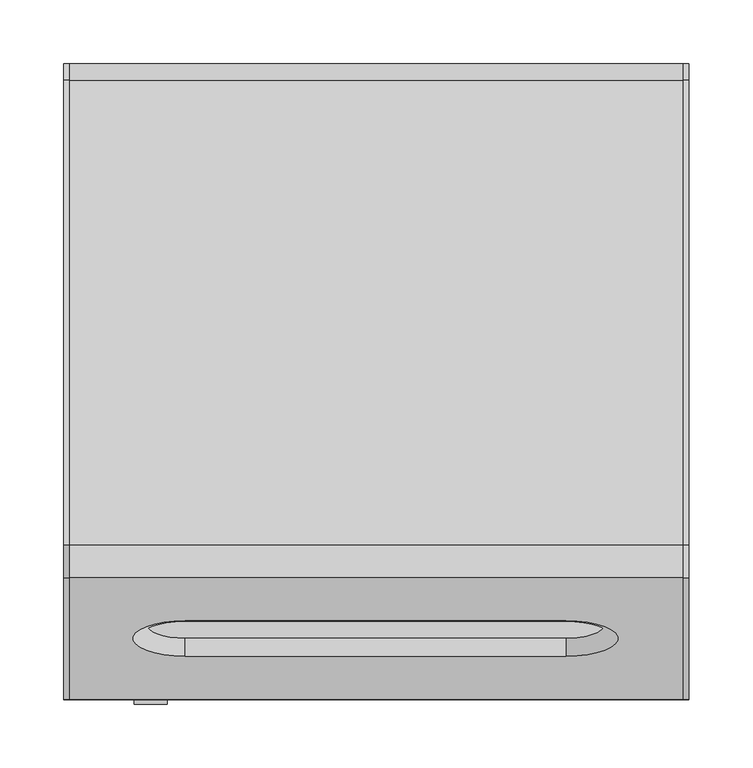
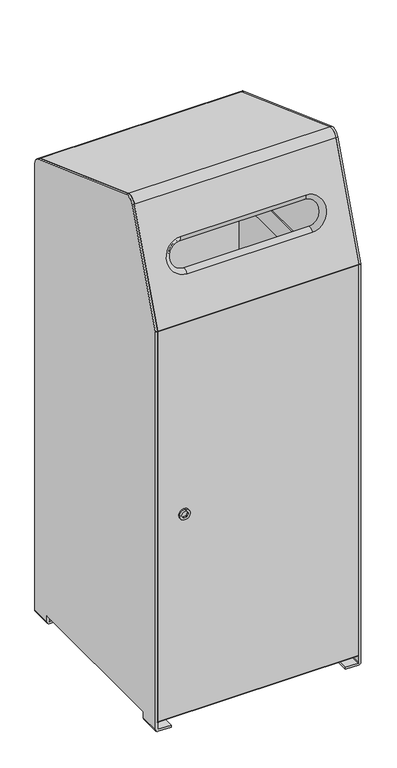
"""IFC4 building model written with IfcOpenShell, lengths in millimetres: furniture geometry."""

from ifc_helpers import new_model, si_unit, point, frame, frame_2d, origin, place, context, project, spatial, polyline, circle_curve, ellipse_curve, trimmed, segment, composite_curve, outline, extrude, source, transform, mapped, element, save
from ifc_brep_helpers import plane_surface, cylinder_surface, revolved_surface, advanced_brep


def furniture_d7850480(model_context):
    return source(origin(), model_context, "Body", "SolidModel", [
        extrude(outline(composite_curve([segment(trimmed(circle_curve(frame_2d((529.2365801, -177.4993721)), 13.0), [point((529.2365801, -190.4993721))], [point((529.2365801, -164.4993721))], False, "CARTESIAN"), True, "CONTINUOUS"), segment(trimmed(circle_curve(frame_2d((529.2365801, -177.4993721)), 13.0), [point((529.2365801, -164.4993721))], [point((529.2365801, -190.4993721))], False, "CARTESIAN"), True, "CONTINUOUS")], self_intersect=False), holes=[polyline([(528.6374322, -185.5445431), (529.8545881, -184.9631828), (534.7139056, -182.6421867), (535.9310615, -182.0608264), (536.0361663, -180.7160594), (536.4557816, -175.3472728), (536.5608863, -174.0025057), (535.4488351, -173.2390989), (531.0091329, -170.1913084), (529.8970817, -169.4279016), (528.6799258, -170.0092619), (523.8206083, -172.330258), (522.6034524, -172.9116182), (522.4983476, -174.2563853), (522.0787323, -179.6251719), (521.9736276, -180.969939), (523.0856788, -181.7333458), (527.525381, -184.7811362), (528.6374322, -185.5445431)])]), frame((0.0, -252.5491325, 0.0), z_axis=(0.0, 1.0, 0.0), x_axis=(0.0, 0.0, 1.0)), (0.0, 0.0, 1.0), 16.337933),
        advanced_brep(
        [(241.0, -150.2343599, 1275.4073507), (241.0, -128.4452429, 1285.5677828), (241.0, 236.8143424, 1152.6241659), (241.0, 248.0, 1136.6493914), (241.0, 248.0, 1012.2934168), (241.0, 251.0, 1012.2934168), (241.0, 251.0, 1136.6493914), (241.0, 237.8404029, 1155.4432438), (241.0, -127.4191825, 1288.3868606), (241.0, -153.0534378, 1276.4334111), (241.0, -248.8190779, 1013.3194773), (241.0, -249.0, 1012.2934168), (241.0, -246.0, 1012.2934168), (-241.0, -150.2343599, 1275.4073507), (-241.0, -246.0, 1012.2934168), (-241.0, -249.0, 1012.2934168), (-241.0, -248.8190779, 1013.3194773), (-241.0, -153.0534378, 1276.4334111), (-241.0, -127.4191825, 1288.3868606), (-241.0, 237.8404029, 1155.4432438), (-241.0, 251.0, 1136.6493914), (-241.0, 251.0, 1012.2934168), (-241.0, 248.0, 1012.2934168), (-241.0, 248.0, 1136.6493914), (-241.0, 236.8143424, 1152.6241659), (-241.0, -128.4452429, 1285.5677828), (149.2381104, -184.0987109, 1182.3658109), (-150.4139833, -184.0987109, 1182.3658109), (-150.4139833, -212.078139, 1105.4929639), (149.2381104, -212.078139, 1105.4929639), (-150.4139833, -186.9187224, 1183.3893061), (149.2381104, -186.9187224, 1183.3893061), (149.2381104, -214.8962833, 1106.5215895), (-150.4139833, -214.8962833, 1106.5215895), (-150.4139833, -179.3012461, 1172.0776143), (149.2381104, -179.3012461, 1172.0776143), (149.2381104, -180.3096237, 1169.2779386), (-150.4139833, -180.3096356, 1169.2779056), (149.2381104, -201.7899425, 1110.2904287), (-150.4139833, -201.7899425, 1110.2904287), (-150.4139833, -200.7628078, 1113.0832774), (149.2381104, -200.7627956, 1113.0833103)],
        [
            (0, 1, circle_curve(frame((241.0, -134.2595853, 1269.5930082), z_axis=(-1.0, 0.0, 0.0), x_axis=(0.0, 0.3420201433256436, 0.9396926207859176)), 17.0)),
            (1, 2),
            (2, 3, circle_curve(frame((241.0, 231.0, 1136.6493914), z_axis=(-1.0, 0.0, 0.0), x_axis=(0.0, 1.0, 4.9744208752146794e-12)), 17.0)),
            (3, 4),
            (4, 5),
            (5, 6),
            (6, 7, circle_curve(frame((241.0, 231.0, 1136.6493914), z_axis=(1.0, 0.0, 0.0), x_axis=(0.0, 1.0, 4.9744208752146794e-12)), 20.0)),
            (7, 8),
            (8, 9, circle_curve(frame((241.0, -134.2595853, 1269.5930082), z_axis=(1.0, 0.0, 0.0), x_axis=(0.0, 0.3420201433256436, 0.9396926207859176)), 20.0)),
            (9, 10),
            (10, 11, circle_curve(frame((241.0, -246.0, 1012.2934168), z_axis=(1.0, 0.0, 0.0), x_axis=(0.0, -0.9396926208113076, 0.3420201432558851)), 3.0)),
            (11, 12),
            (12, 0),
            (13, 14),
            (14, 15),
            (15, 16, circle_curve(frame((-241.0, -246.0, 1012.2934168), z_axis=(-1.0, 0.0, 0.0), x_axis=(0.0, -0.9396926208113076, 0.3420201432558851)), 3.0)),
            (16, 17),
            (17, 18, circle_curve(frame((-241.0, -134.2595853, 1269.5930082), z_axis=(-1.0, 0.0, 0.0), x_axis=(0.0, 0.3420201433256436, 0.9396926207859176)), 20.0)),
            (18, 19),
            (19, 20, circle_curve(frame((-241.0, 231.0, 1136.6493914), z_axis=(-1.0, 0.0, 0.0), x_axis=(0.0, 1.0, 4.9744208752146794e-12)), 20.0)),
            (20, 21),
            (21, 22),
            (22, 23),
            (23, 24, circle_curve(frame((-241.0, 231.0, 1136.6493914), z_axis=(1.0, 0.0, 0.0), x_axis=(0.0, 1.0, 4.9744208752146794e-12)), 17.0)),
            (24, 25),
            (25, 13, circle_curve(frame((-241.0, -134.2595853, 1269.5930082), z_axis=(1.0, 0.0, 0.0), x_axis=(0.0, 0.3420201433256436, 0.9396926207859176)), 17.0)),
            (12, 14),
            (13, 0),
            (26, 27),
            (27, 28, circle_curve(frame((-150.4139833, -198.088425, 1143.9293874), z_axis=(0.0, -0.9396926208115011, 0.34202014325535357), x_axis=(0.0, -0.34202014325535357, -0.9396926208115011)), 40.9031875)),
            (28, 29),
            (29, 26, circle_curve(frame((149.2381104, -198.088425, 1143.9293874), z_axis=(0.0, -0.9396926208115011, 0.34202014325535357), x_axis=(0.0, 0.34202014325535357, 0.9396926208115011)), 40.9031875)),
            (9, 17),
            (16, 10),
            (30, 31),
            (31, 32, circle_curve(frame((149.2381104, -200.9075028, 1144.9554478), z_axis=(0.0, 0.9396926208115011, -0.34202014325535357), x_axis=(0.0, 0.34202014325535357, 0.9396926208115011)), 40.9004577)),
            (32, 33),
            (33, 30, circle_curve(frame((-150.4139833, -200.9075028, 1144.9554478), z_axis=(0.0, 0.9396926208115011, -0.34202014325535357), x_axis=(0.0, -0.34202014325535357, -0.9396926208115011)), 40.9004577)),
            (15, 11),
            (25, 1),
            (24, 2),
            (23, 3),
            (22, 4),
            (21, 5),
            (20, 6),
            (19, 7),
            (18, 8),
            (34, 27, circle_curve(frame((-150.4139833, -176.5558802, 1179.620445), z_axis=(-1.0, 0.0, 0.0), x_axis=(0.0, -1.0, 0.0)), 8.0269128)),
            (26, 35, circle_curve(frame((149.2381104, -176.5558802, 1179.620445), z_axis=(1.0, 0.0, 0.0), x_axis=(0.0, -1.0, 0.0)), 8.0269128)),
            (35, 34),
            (35, 36),
            (36, 37),
            (37, 34),
            (36, 31, circle_curve(frame((149.2381104, -176.5821036, 1179.6270845), z_axis=(-1.0, 0.0, 0.0), x_axis=(0.0, -1.0, 0.0)), 11.0)),
            (30, 37, circle_curve(frame((-150.4139833, -176.5821036, 1179.6270845), z_axis=(1.0, 0.0, 0.0), x_axis=(0.0, -1.0, 0.0)), 11.0)),
            (38, 29, circle_curve(frame((149.2381104, -204.5353084, 1102.747598), z_axis=(1.0, 0.0, 0.0), x_axis=(0.0, -0.766044443215175, 0.6427876095718965)), 8.0269128)),
            (28, 39, circle_curve(frame((-150.4139833, -204.5353084, 1102.747598), z_axis=(-1.0, 0.0, 0.0), x_axis=(0.0, -0.766044443215175, 0.6427876095718965)), 8.0269128)),
            (39, 38),
            (39, 40),
            (40, 41),
            (41, 38),
            (40, 33, circle_curve(frame((-150.4139833, -204.5596644, 1102.7593679), z_axis=(1.0, 0.0, 0.0), x_axis=(0.0, -0.766044443215175, 0.6427876095718965)), 11.0)),
            (32, 41, circle_curve(frame((149.2381104, -204.5596644, 1102.7593679), z_axis=(-1.0, 0.0, 0.0), x_axis=(0.0, -0.766044443215175, 0.6427876095718965)), 11.0)),
            (38, 35, circle_curve(frame((149.2381104, -190.5455943, 1141.1840215), z_axis=(0.0, -0.9396926208115011, 0.34202014325535357), x_axis=(0.0, 0.34202014325535357, 0.9396926208115011)), 32.8762748)),
            (41, 36, circle_curve(frame((149.2381104, -190.5455943, 1141.1840215), z_axis=(0.0, -0.9396926208115011, 0.34202014325535357), x_axis=(0.0, 0.34202014325535357, 0.9396926208115011)), 29.9005213)),
            (34, 39, circle_curve(frame((-150.4139833, -190.5455943, 1141.1840215), z_axis=(0.0, -0.9396926208115011, 0.34202014325535357), x_axis=(0.0, -0.34202014325535357, -0.9396926208115011)), 32.8762748)),
            (37, 40, circle_curve(frame((-150.4139833, -190.5455943, 1141.1840215), z_axis=(0.0, -0.9396926208115011, 0.34202014325535357), x_axis=(0.0, -0.34202014325535357, -0.9396926208115011)), 29.9005213)),
        ],
        [
            plane_surface(frame((241.0, -128.4452429, 1285.5677828), z_axis=(1.0000000000000002, 0.0, 0.0), x_axis=(0.0, 0.9396926207859176, -0.3420201433256436))),
            plane_surface(frame((-241.0, -128.4452429, 1285.5677828), z_axis=(-1.0000000000000002, 0.0, 0.0), x_axis=(0.0, -0.9396926207859176, 0.3420201433256436))),
            plane_surface(frame((241.0, -246.0, 1012.2934168), z_axis=(0.0, 0.9396926208114998, -0.34202014325535696), x_axis=(-1.0, 0.0, 0.0))),
            plane_surface(frame((241.0, -153.0534378, 1276.4334111), z_axis=(0.0, -0.9396926208114992, 0.34202014325535846), x_axis=(-1.0, 0.0, 0.0))),
            cylinder_surface(frame((-241.0, -246.0, 1012.2934168), z_axis=(1.0, 0.0, 0.0), x_axis=(0.0, -0.9396926208113076, 0.3420201432558851)), 3.0),
            plane_surface(frame((241.0, -249.0, 1012.2934168), z_axis=(0.0, 0.0, -1.0), x_axis=(-1.0, 0.0, 0.0))),
            revolved_surface(polyline([(-241.0, -128.44524286346405, 1285.5677827533607), (241.00000000000023, -128.44524286346405, 1285.5677827533607)]), (-241.0, -134.2595853, 1269.5930082), (-1.0000000000000002, 0.0, 0.0)),
            plane_surface(frame((241.0, -128.4452429, 1285.5677828), z_axis=(0.0, -0.3420201433256728, -0.939692620785907), x_axis=(-1.0, 0.0, 0.0))),
            revolved_surface(polyline([(-241.0, 248.0, 1136.6493914000846), (241.0, 248.0, 1136.6493914000846)]), (-241.0, 231.0, 1136.6493914), (-1.0, 0.0, 0.0)),
            plane_surface(frame((241.0, 248.0, 1136.6493914), z_axis=(0.0, -1.0, 0.0), x_axis=(-1.0, 0.0, 0.0))),
            plane_surface(frame((241.0, 248.0, 1012.2934168), z_axis=(0.0, 0.0, -1.0), x_axis=(-1.0, 0.0, 0.0))),
            plane_surface(frame((241.0, 251.0, 1012.2934168), z_axis=(0.0, 1.0, 0.0), x_axis=(-1.0, 0.0, 0.0))),
            cylinder_surface(frame((-241.0, 231.0, 1136.6493914), z_axis=(1.0, 0.0, 0.0), x_axis=(0.0, 1.0, 4.9744208752146794e-12)), 20.0),
            plane_surface(frame((241.0, 237.8404029, 1155.4432438), z_axis=(0.0, 0.3420201433256737, 0.9396926207859067), x_axis=(-1.0, 0.0, 0.0))),
            cylinder_surface(frame((-241.0, -134.2595853, 1269.5930082), z_axis=(1.0000000000000002, 0.0, 0.0), x_axis=(0.0, 0.3420201433256436, 0.9396926207859176)), 20.0),
            revolved_surface(polyline([(149.2381104, -184.58279299999998, 1179.620445), (-150.4139833, -184.58279299999998, 1179.620445)]), (-150.4139833, -176.5558802, 1179.620445), (1.0, 0.0, 0.0)),
            plane_surface(frame((-150.4139833, -179.3012461, 1172.0776143), z_axis=(0.0, 0.9408344496832874, -0.33886654938064614), x_axis=(1.0, 0.0, 0.0))),
            cylinder_surface(frame((-150.4139833, -176.5821036, 1179.6270845), z_axis=(-1.0, 0.0, 0.0), x_axis=(0.0, -1.0, 0.0)), 11.0),
            revolved_surface(polyline([(-150.41398330000013, -210.68428034661275, 1107.907198090954), (149.2381104, -210.68428034661275, 1107.907198090954)]), (149.2381104, -204.5353084, 1102.747598), (-1.0000000000000002, 0.0, 0.0)),
            plane_surface(frame((149.2381104, -201.7899425, 1110.2904287), z_axis=(0.0, 0.9385402214055518, -0.34516988977026636), x_axis=(-1.0, 0.0, 0.0))),
            cylinder_surface(frame((149.2381104, -204.5596644, 1102.7593679), z_axis=(1.0000000000000002, 0.0, 0.0), x_axis=(0.0, -0.766044443215175, 0.6427876095718965)), 11.0),
            revolved_surface(trimmed(ellipse_curve(frame((149.2381104, -176.5558802, 1179.620445), z_axis=(1.0, 0.0, 0.0), x_axis=(0.0, -1.0, 0.0)), 8.0269128, 8.0269128), [point((149.2381104, -184.0987109, 1182.3658109))], [point((149.2381104, -179.3012461, 1172.0776143))], True, "CARTESIAN"), (149.2381104, -200.9075028, 1144.9554478), (0.0, 0.9396926208115011, -0.34202014325535357)),
            plane_surface(frame((149.2381104, -190.5455943, 1141.1840215), z_axis=(0.0, 0.9396926208115011, -0.34202014325535357), x_axis=(0.0, 0.34202014325535357, 0.9396926208115011))),
            revolved_surface(trimmed(ellipse_curve(frame((149.2381104, -176.5821036, 1179.6270845), z_axis=(-1.0, 0.0, 0.0), x_axis=(0.0, -1.0, 0.0)), 11.0, 11.0), [point((149.2381104, -180.3096356, 1169.2779056))], [point((149.2381104, -186.9187224, 1183.3893061))], True, "CARTESIAN"), (149.2381104, -200.9075028, 1144.9554478), (0.0, 0.9396926208115011, -0.34202014325535357)),
            revolved_surface(trimmed(ellipse_curve(frame((-150.4139833, -204.5353084, 1102.747598), z_axis=(-1.0000000000000002, 0.0, 0.0), x_axis=(0.0, -0.766044443215175, 0.6427876095718965)), 8.0269128, 8.0269128), [point((-150.4139833, -212.078139, 1105.4929639))], [point((-150.4139833, -201.7899425, 1110.2904287))], True, "CARTESIAN"), (-150.4139833, -200.9075028, 1144.9554478), (0.0, 0.9396926208115011, -0.34202014325535357)),
            plane_surface(frame((-150.4139833, -190.5455943, 1141.1840215), z_axis=(0.0, 0.9396926208115011, -0.34202014325535357), x_axis=(0.0, -0.34202014325535357, -0.9396926208115011))),
            revolved_surface(trimmed(ellipse_curve(frame((-150.4139833, -204.5596644, 1102.7593679), z_axis=(1.0000000000000002, 0.0, 0.0), x_axis=(0.0, -0.766044443215175, 0.6427876095718965)), 11.0, 11.0), [point((-150.4139833, -200.7627956, 1113.0833103))], [point((-150.4139833, -214.8962833, 1106.5215895))], True, "CARTESIAN"), (-150.4139833, -200.9075028, 1144.9554478), (0.0, 0.9396926208115011, -0.34202014325535357)),
        ],
        [
            (0, [[1, 2, 3, 4, 5, 6, 7, 8, 9, 10, 11, 12, 13]]),
            (1, [[14, 15, 16, 17, 18, 19, 20, 21, 22, 23, 24, 25, 26]]),
            (2, [[-13, 27, -14, 28], [29, 30, 31, 32]]),
            (3, [[-10, 33, -17, 34], [35, 36, 37, 38]]),
            (4, [[-11, -34, -16, 39]]),
            (5, [[-12, -39, -15, -27]]),
            (6, [[-1, -28, -26, 40]]),
            (7, [[-2, -40, -25, 41]]),
            (8, [[-3, -41, -24, 42]]),
            (9, [[-4, -42, -23, 43]]),
            (10, [[-5, -43, -22, 44]]),
            (11, [[-6, -44, -21, 45]]),
            (12, [[-7, -45, -20, 46]]),
            (13, [[-8, -46, -19, 47]]),
            (14, [[-9, -47, -18, -33]]),
            (15, [[48, -29, 49, 50]]),
            (16, [[-50, 51, 52, 53]]),
            (17, [[-52, 54, -35, 55]]),
            (18, [[56, -31, 57, 58]]),
            (19, [[-58, 59, 60, 61]]),
            (20, [[-60, 62, -37, 63]]),
            (21, [[-49, -32, -56, 64]]),
            (22, [[-51, -64, -61, 65]]),
            (23, [[-54, -65, -63, -36]]),
            (24, [[-48, 66, -57, -30]]),
            (25, [[-53, 67, -59, -66]]),
            (26, [[-55, -38, -62, -67]]),
        ],
    ),
        extrude(outline(composite_curve([segment(trimmed(circle_curve(frame_2d((-147.9570796, 188.4694269)), 51.0), [point((-198.9570796, 188.4694269))], [point((-147.9570796, 239.4694269))], False, "CARTESIAN"), True, "CONTINUOUS"), segment(polyline([(-147.9570796, 239.4694269), (150.0429204, 239.4694269)]), True, "CONTINUOUS"), segment(trimmed(circle_curve(frame_2d((150.0429204, 188.4694269)), 51.0), [point((150.0429204, 239.4694269))], [point((201.0429204, 188.4694269))], False, "CARTESIAN"), True, "CONTINUOUS"), segment(polyline([(201.0429204, 188.4694269), (201.0429204, -187.5305731)]), True, "CONTINUOUS"), segment(trimmed(circle_curve(frame_2d((150.0429204, -187.5305731)), 51.0), [point((201.0429204, -187.5305731))], [point((150.0429204, -238.5305731))], False, "CARTESIAN"), True, "CONTINUOUS"), segment(polyline([(150.0429204, -238.5305731), (-147.9570796, -238.5305731)]), True, "CONTINUOUS"), segment(trimmed(circle_curve(frame_2d((-147.9570796, -187.5305731)), 51.0), [point((-147.9570796, -238.5305731))], [point((-198.9570796, -187.5305731))], False, "CARTESIAN"), True, "CONTINUOUS"), segment(polyline([(-198.9570796, -187.5305731), (-198.9570796, 188.4694269)]), True, "CONTINUOUS")], self_intersect=False), holes=[composite_curve([segment(polyline([(-195.9570796, 188.4694269), (-195.9570796, -187.5305731)]), True, "CONTINUOUS"), segment(trimmed(circle_curve(frame_2d((-147.9570796, -187.5305731)), 48.0), [point((-195.9570796, -187.5305731))], [point((-147.9570796, -235.5305731))], True, "CARTESIAN"), True, "CONTINUOUS"), segment(polyline([(-147.9570796, -235.5305731), (150.0429204, -235.5305731)]), True, "CONTINUOUS"), segment(trimmed(circle_curve(frame_2d((150.0429204, -187.5305731)), 48.0), [point((150.0429204, -235.5305731))], [point((198.0429204, -187.5305731))], True, "CARTESIAN"), True, "CONTINUOUS"), segment(polyline([(198.0429204, -187.5305731), (198.0429204, 188.4694269)]), True, "CONTINUOUS"), segment(trimmed(circle_curve(frame_2d((150.0429204, 188.4694269)), 48.0), [point((198.0429204, 188.4694269))], [point((150.0429204, 236.4694269))], True, "CARTESIAN"), True, "CONTINUOUS"), segment(polyline([(150.0429204, 236.4694269), (-147.9570796, 236.4694269)]), True, "CONTINUOUS"), segment(trimmed(circle_curve(frame_2d((-147.9570796, 188.4694269)), 48.0), [point((-147.9570796, 236.4694269))], [point((-195.9570796, 188.4694269))], True, "CARTESIAN"), True, "CONTINUOUS")], self_intersect=False)]), frame((0.0, 0.0, 938.2905849), z_axis=(0.0, 0.0, 1.0), x_axis=(1.0, 0.0, 0.0)), (0.0, 0.0, 1.0), 50.0),
        advanced_brep(
        [(240.0012864, -249.0, 5.0), (208.6132741, -249.0, 5.0), (208.6132741, -249.0, 0.0), (240.0292186, -249.0, 0.0), (246.0, -249.0, 5.9707814), (246.0, -249.0, 1012.2934168), (241.0, -249.0, 1012.2934168), (241.0, -249.0, 5.9987136), (240.0012864, -199.0, 5.0), (241.0, -199.0, 5.9987136), (241.0, -199.0, 21.5867259), (246.0, -199.0, 21.5867259), (246.0, -199.0, 5.9707814), (240.0292186, -199.0, 0.0), (208.6132741, -199.0, 0.0), (208.6132741, -199.0, 5.0), (241.0, -248.8190779, 1013.3194773), (241.0, -153.0534378, 1276.4334111), (241.0, -127.4191825, 1288.3868606), (241.0, 237.8404029, 1155.4432438), (241.0, 251.0, 1136.6493914), (241.0, 251.0, 6.0), (241.0, 201.0, 5.9987136), (241.0, 201.0, 21.5867259), (246.0, 201.0, 21.5867259), (246.0, 201.0, 6.0), (246.0, 251.0, 5.9707814), (246.0, 251.0, 1136.6493914), (246.0, 237.8404029, 1155.4432438), (246.0, -127.4191825, 1288.3868606), (246.0, -153.0534378, 1276.4334111), (246.0, -248.8190779, 1013.3194773), (240.0012864, 201.0, 5.0), (208.6132741, 201.0, 5.0), (208.6132741, 201.0, 0.0), (240.0292186, 201.0, 0.0), (240.0292186, 251.0, 0.0), (208.6132741, 251.0, 0.0), (208.6132741, 251.0, 5.0), (240.0012864, 251.0, 5.0)],
        [
            (0, 1),
            (1, 2),
            (2, 3),
            (3, 4, circle_curve(frame((240.0292186, -249.0, 5.9707814), z_axis=(0.0, -1.0, 0.0), x_axis=(-1.0, 0.0, 0.0)), 5.9707814)),
            (4, 5),
            (5, 6),
            (6, 7),
            (7, 0, circle_curve(frame((240.0012864, -249.0, 5.9987136), z_axis=(0.0, 1.0, 0.0), x_axis=(-1.0, 0.0, 0.0)), 0.9987136)),
            (8, 9, circle_curve(frame((240.0012864, -199.0, 5.9987136), z_axis=(0.0, -1.0, 0.0), x_axis=(-1.0, 0.0, 0.0)), 0.9987136)),
            (9, 10),
            (10, 11),
            (11, 12),
            (12, 13, circle_curve(frame((240.0292186, -199.0, 5.9707814), z_axis=(0.0, 1.0, 0.0), x_axis=(-1.0, 0.0, 0.0)), 5.9707814)),
            (13, 14),
            (14, 15),
            (15, 8),
            (7, 9),
            (8, 0),
            (6, 16, circle_curve(frame((241.0, -246.0, 1012.2934168), z_axis=(-1.0, -8.301981324645261e-12, 1.463863300554757e-12), x_axis=(8.301981324645208e-12, -0.9396926208113076, 0.3420201432558851)), 3.0)),
            (16, 17),
            (17, 18, circle_curve(frame((241.0, -134.2595853, 1269.5930082), z_axis=(-1.0, 0.0, 0.0), x_axis=(0.0, 0.3420201433256436, 0.9396926207859176)), 20.0)),
            (18, 19),
            (19, 20, circle_curve(frame((241.0, 231.0, 1136.6493914), z_axis=(-1.0, 0.0, 0.0), x_axis=(0.0, 1.0, 4.9744208752146794e-12)), 20.0)),
            (20, 21),
            (21, 22),
            (22, 23),
            (23, 10),
            (4, 12),
            (11, 24),
            (24, 25),
            (25, 26),
            (26, 27),
            (27, 28, circle_curve(frame((246.0, 231.0, 1136.6493914), z_axis=(1.0, 0.0, 0.0), x_axis=(0.0, 1.0, 4.9744208752146794e-12)), 20.0)),
            (28, 29),
            (29, 30, circle_curve(frame((246.0, -134.2595853, 1269.5930082), z_axis=(1.0, 0.0, 0.0), x_axis=(0.0, 0.3420201433256436, 0.9396926207859176)), 20.0)),
            (30, 31),
            (31, 5, circle_curve(frame((246.0, -246.0, 1012.2934168), z_axis=(1.0, 8.301981324645261e-12, -1.463863300554757e-12), x_axis=(8.301981324645208e-12, -0.9396926208113076, 0.3420201432558851)), 3.0)),
            (3, 13),
            (2, 14),
            (1, 15),
            (28, 19),
            (18, 29),
            (17, 30),
            (16, 31),
            (23, 24),
            (22, 32, circle_curve(frame((240.0012864, 201.0, 5.9987136), z_axis=(0.0, 1.0, 0.0), x_axis=(-1.0, 0.0, 0.0)), 0.9987136)),
            (32, 33),
            (33, 34),
            (34, 35),
            (35, 25, circle_curve(frame((240.0292186, 201.0, 5.9707814), z_axis=(0.0, -1.0, 0.0), x_axis=(-1.0, 0.0, 0.0)), 5.9707814)),
            (20, 27),
            (26, 36, circle_curve(frame((240.0292186, 251.0, 5.9707814), z_axis=(0.0, 1.0, 0.0), x_axis=(-1.0, 0.0, 0.0)), 5.9707814)),
            (36, 37),
            (37, 38),
            (38, 39),
            (39, 21, circle_curve(frame((240.0012864, 251.0, 5.9987136), z_axis=(0.0, -1.0, 0.0), x_axis=(-1.0, 0.0, 0.0)), 0.9987136)),
            (39, 32),
            (35, 36),
            (34, 37),
            (33, 38),
        ],
        [
            plane_surface(frame((208.6132741, -249.0, 5.0), z_axis=(0.0, -1.0, 0.0), x_axis=(-1.0, 0.0, 0.0))),
            plane_surface(frame((208.6132741, -199.0, 5.0), z_axis=(0.0, 1.0, 0.0), x_axis=(1.0, 0.0, 0.0))),
            revolved_surface(polyline([(239.0025728, -199.0, 5.9987136), (239.0025728, -249.0, 5.9987136)]), (240.0012864, -199.0, 5.9987136), (0.0, 1.0, 0.0)),
            plane_surface(frame((241.0, -249.0, 9.3360268), z_axis=(-1.0, 0.0, 0.0), x_axis=(0.0, 1.0, 0.0))),
            plane_surface(frame((246.0, -249.0, 5.9707814), z_axis=(1.0, 0.0, 0.0), x_axis=(0.0, 1.0, 0.0))),
            cylinder_surface(frame((240.0292186, -199.0, 5.9707814), z_axis=(0.0, -1.0, 0.0), x_axis=(-1.0, 0.0, 0.0)), 5.9707814),
            plane_surface(frame((208.6132741, -249.0, 0.0), z_axis=(0.0, 0.0, -1.0), x_axis=(0.0, 1.0, 0.0))),
            plane_surface(frame((208.6132741, -249.0, 5.0), z_axis=(-1.0, 0.0, 0.0), x_axis=(0.0, 1.0, 0.0))),
            plane_surface(frame((240.0012864, -249.0, 5.0), z_axis=(0.0, 0.0, 1.0), x_axis=(0.0, 1.0, 0.0))),
            plane_surface(frame((246.0, 237.8404029, 1155.4432438), z_axis=(0.0, 0.342020143325669, 0.9396926207859083), x_axis=(-1.0, 0.0, 0.0))),
            cylinder_surface(frame((241.0, -134.2595853, 1269.5930082), z_axis=(1.0000000000000002, 0.0, 0.0), x_axis=(0.0, 0.3420201433256436, 0.9396926207859176)), 20.0),
            plane_surface(frame((246.0, -153.0534378, 1276.4334111), z_axis=(0.0, -0.939692620811501, 0.34202014325535374), x_axis=(-1.0, 0.0, 0.0))),
            cylinder_surface(frame((241.0, -246.0, 1012.2934168), z_axis=(1.0, 8.301981324645261e-12, -1.463863300554757e-12), x_axis=(8.301981324645208e-12, -0.9396926208113076, 0.3420201432558851)), 3.0),
            plane_surface(frame((246.0, -199.0, 21.5867259), z_axis=(0.0, 0.0, -1.0), x_axis=(-1.0, 0.0, 0.0))),
            plane_surface(frame((246.0, 201.0, 21.5867259), z_axis=(0.0, -1.0, 0.0), x_axis=(-1.0, 0.0, 0.0))),
            plane_surface(frame((246.0, 251.0, 6.0), z_axis=(0.0, 1.0, 0.0), x_axis=(-1.0, 0.0, 0.0))),
            cylinder_surface(frame((241.0, 231.0, 1136.6493914), z_axis=(1.0, 0.0, 0.0), x_axis=(0.0, 1.0, 4.9744208752146794e-12)), 20.0),
            revolved_surface(polyline([(239.0025728, 201.0, 5.9987136), (239.0025728, 251.0, 5.9987136)]), (240.0012864, 201.0, 5.9987136), (0.0, -1.0, 0.0)),
            cylinder_surface(frame((240.0292186, 201.0, 5.9707814), z_axis=(0.0, 1.0, 0.0), x_axis=(-1.0, 0.0, 0.0)), 5.9707814),
            plane_surface(frame((240.0292186, 251.0, 0.0), z_axis=(0.0, 0.0, -1.0), x_axis=(0.0, -1.0, 0.0))),
            plane_surface(frame((208.6132741, 251.0, 0.0), z_axis=(-1.0, 0.0, 0.0), x_axis=(0.0, -1.0, 0.0))),
            plane_surface(frame((208.6132741, 251.0, 5.0), z_axis=(0.0, 0.0, 1.0), x_axis=(0.0, -1.0, 0.0))),
        ],
        [
            (0, [[1, 2, 3, 4, 5, 6, 7, 8]]),
            (1, [[9, 10, 11, 12, 13, 14, 15, 16]]),
            (2, [[-8, 17, -9, 18]]),
            (3, [[-17, -7, 19, 20, 21, 22, 23, 24, 25, 26, 27, -10]]),
            (4, [[28, -12, 29, 30, 31, 32, 33, 34, 35, 36, 37, -5]]),
            (5, [[-4, 38, -13, -28]]),
            (6, [[-3, 39, -14, -38]]),
            (7, [[-2, 40, -15, -39]]),
            (8, [[-1, -18, -16, -40]]),
            (9, [[-34, 41, -22, 42]]),
            (10, [[-35, -42, -21, 43]]),
            (11, [[-36, -43, -20, 44]]),
            (12, [[-37, -44, -19, -6]]),
            (13, [[-29, -11, -27, 45]]),
            (14, [[-45, -26, 46, 47, 48, 49, 50, -30]]),
            (15, [[51, -32, 52, 53, 54, 55, 56, -24]]),
            (16, [[-33, -51, -23, -41]]),
            (17, [[-56, 57, -46, -25]]),
            (18, [[-52, -31, -50, 58]]),
            (19, [[-53, -58, -49, 59]]),
            (20, [[-54, -59, -48, 60]]),
            (21, [[-55, -60, -47, -57]]),
        ],
    ),
        advanced_brep(
        [(-240.0012864, -249.0, 5.0), (-241.0, -249.0, 5.9987136), (-241.0, -249.0, 1012.2934168), (-246.0, -249.0, 1012.2934168), (-246.0, -249.0, 5.9707814), (-240.0292186, -249.0, 0.0), (-208.6132741, -249.0, 0.0), (-208.6132741, -249.0, 5.0), (-240.0012864, -199.0, 5.0), (-208.6132741, -199.0, 5.0), (-208.6132741, -199.0, 0.0), (-240.0292186, -199.0, 0.0), (-246.0, -199.0, 5.9707814), (-246.0, -199.0, 21.5867259), (-241.0, -199.0, 21.5867259), (-241.0, -199.0, 5.9987136), (-241.0, 201.0, 21.5867259), (-241.0, 201.0, 6.0), (-241.0, 251.0, 5.9987136), (-241.0, 251.0, 1136.6493914), (-241.0, 237.8404029, 1155.4432438), (-241.0, -127.4191825, 1288.3868606), (-241.0, -153.0534378, 1276.4334111), (-241.0, -248.8190779, 1013.3194773), (-246.0, -248.8190779, 1013.3194773), (-246.0, -153.0534378, 1276.4334111), (-246.0, -127.4191825, 1288.3868606), (-246.0, 237.8404029, 1155.4432438), (-246.0, 251.0, 1136.6493914), (-246.0, 251.0, 6.0), (-246.0, 201.0, 5.9707814), (-246.0, 201.0, 21.5867259), (-240.0292186, 201.0, 0.0), (-208.6132741, 201.0, 0.0), (-208.6132741, 201.0, 5.0), (-240.0012864, 201.0, 5.0), (-240.0012864, 251.0, 5.0), (-208.6132741, 251.0, 5.0), (-208.6132741, 251.0, 0.0), (-240.0292186, 251.0, 0.0)],
        [
            (0, 1, circle_curve(frame((-240.0012864, -249.0, 5.9987136), z_axis=(0.0, 1.0, 0.0), x_axis=(1.0, 0.0, 0.0)), 0.9987136)),
            (1, 2),
            (2, 3),
            (3, 4),
            (4, 5, circle_curve(frame((-240.0292186, -249.0, 5.9707814), z_axis=(0.0, -1.0, 0.0), x_axis=(1.0, 0.0, 0.0)), 5.9707814)),
            (5, 6),
            (6, 7),
            (7, 0),
            (8, 9),
            (9, 10),
            (10, 11),
            (11, 12, circle_curve(frame((-240.0292186, -199.0, 5.9707814), z_axis=(0.0, 1.0, 0.0), x_axis=(1.0, 0.0, 0.0)), 5.9707814)),
            (12, 13),
            (13, 14),
            (14, 15),
            (15, 8, circle_curve(frame((-240.0012864, -199.0, 5.9987136), z_axis=(0.0, -1.0, 0.0), x_axis=(1.0, 0.0, 0.0)), 0.9987136)),
            (0, 8),
            (15, 1),
            (14, 16),
            (16, 17),
            (17, 18),
            (18, 19),
            (19, 20, circle_curve(frame((-241.0, 231.0, 1136.6493914), z_axis=(1.0, 0.0, 0.0), x_axis=(0.0, 1.0, 4.9744208752146794e-12)), 20.0)),
            (20, 21),
            (21, 22, circle_curve(frame((-241.0, -134.2595853, 1269.5930082), z_axis=(1.0, 0.0, 0.0), x_axis=(0.0, 0.3420201433256436, 0.9396926207859176)), 20.0)),
            (22, 23),
            (23, 2, circle_curve(frame((-241.0, -246.0, 1012.2934168), z_axis=(1.0, -8.301981324645261e-12, 1.463863300554757e-12), x_axis=(-8.301981324645208e-12, -0.9396926208113076, 0.3420201432558851)), 3.0)),
            (12, 4),
            (3, 24, circle_curve(frame((-246.0, -246.0, 1012.2934168), z_axis=(-1.0, 8.301981324645261e-12, -1.463863300554757e-12), x_axis=(-8.301981324645208e-12, -0.9396926208113076, 0.3420201432558851)), 3.0)),
            (24, 25),
            (25, 26, circle_curve(frame((-246.0, -134.2595853, 1269.5930082), z_axis=(-1.0, 0.0, 0.0), x_axis=(0.0, 0.3420201433256436, 0.9396926207859176)), 20.0)),
            (26, 27),
            (27, 28, circle_curve(frame((-246.0, 231.0, 1136.6493914), z_axis=(-1.0, 0.0, 0.0), x_axis=(0.0, 1.0, 4.9744208752146794e-12)), 20.0)),
            (28, 29),
            (29, 30),
            (30, 31),
            (31, 13),
            (11, 5),
            (10, 6),
            (9, 7),
            (26, 21),
            (20, 27),
            (25, 22),
            (24, 23),
            (31, 16),
            (30, 32, circle_curve(frame((-240.0292186, 201.0, 5.9707814), z_axis=(0.0, -1.0, 0.0), x_axis=(1.0, 0.0, 0.0)), 5.9707814)),
            (32, 33),
            (33, 34),
            (34, 35),
            (35, 17, circle_curve(frame((-240.0012864, 201.0, 5.9987136), z_axis=(0.0, 1.0, 0.0), x_axis=(1.0, 0.0, 0.0)), 0.9987136)),
            (28, 19),
            (18, 36, circle_curve(frame((-240.0012864, 251.0, 5.9987136), z_axis=(0.0, -1.0, 0.0), x_axis=(1.0, 0.0, 0.0)), 0.9987136)),
            (36, 37),
            (37, 38),
            (38, 39),
            (39, 29, circle_curve(frame((-240.0292186, 251.0, 5.9707814), z_axis=(0.0, 1.0, 0.0), x_axis=(1.0, 0.0, 0.0)), 5.9707814)),
            (35, 36),
            (39, 32),
            (38, 33),
            (37, 34),
        ],
        [
            plane_surface(frame((-239.0025728, -249.0, 5.9987136), z_axis=(0.0, -1.0, 0.0), x_axis=(0.0, 0.0, -1.0))),
            plane_surface(frame((-239.0025728, -199.0, 5.9987136), z_axis=(0.0, 1.0, 0.0), x_axis=(0.0, 0.0, 1.0))),
            revolved_surface(polyline([(-239.0025728, -199.0, 5.9987136), (-239.0025728, -249.0, 5.9987136)]), (-240.0012864, -199.0, 5.9987136), (0.0, 1.0, 0.0)),
            plane_surface(frame((-241.0, -249.0, 5.9987136), z_axis=(1.0, 0.0, 0.0), x_axis=(0.0, 1.0, 0.0))),
            plane_surface(frame((-246.0, -249.0, 9.3360268), z_axis=(-1.0, 0.0, 0.0), x_axis=(0.0, 1.0, 0.0))),
            cylinder_surface(frame((-240.0292186, -199.0, 5.9707814), z_axis=(0.0, -1.0, 0.0), x_axis=(1.0, 0.0, 0.0)), 5.9707814),
            plane_surface(frame((-240.0292186, -249.0, 0.0), z_axis=(0.0, 0.0, -1.0), x_axis=(0.0, 1.0, 0.0))),
            plane_surface(frame((-208.6132741, -249.0, 0.0), z_axis=(1.0, 0.0, 0.0), x_axis=(0.0, 1.0, 0.0))),
            plane_surface(frame((-208.6132741, -249.0, 5.0), z_axis=(0.0, 0.0, 1.0), x_axis=(0.0, 1.0, 0.0))),
            plane_surface(frame((-246.0, -127.4191825, 1288.3868606), z_axis=(0.0, 0.342020143325669, 0.9396926207859083), x_axis=(1.0, 0.0, 0.0))),
            cylinder_surface(frame((-241.0, -134.2595853, 1269.5930082), z_axis=(-1.0000000000000002, 0.0, 0.0), x_axis=(0.0, 0.3420201433256436, 0.9396926207859176)), 20.0),
            plane_surface(frame((-246.0, -248.8190779, 1013.3194773), z_axis=(0.0, -0.939692620811501, 0.3420201432553537), x_axis=(1.0, 0.0, 0.0))),
            cylinder_surface(frame((-241.0, -246.0, 1012.2934168), z_axis=(-1.0, 8.301981324645261e-12, -1.463863300554757e-12), x_axis=(-8.301981324645208e-12, -0.9396926208113076, 0.3420201432558851)), 3.0),
            plane_surface(frame((-246.0, 201.0, 21.5867259), z_axis=(0.0, 0.0, -1.0), x_axis=(1.0, 0.0, 0.0))),
            plane_surface(frame((-246.0, 201.0, 6.0), z_axis=(0.0, -1.0, 0.0), x_axis=(1.0, 0.0, 0.0))),
            plane_surface(frame((-246.0, 251.0, 1136.6493914), z_axis=(0.0, 1.0, 0.0), x_axis=(1.0, 0.0, 0.0))),
            cylinder_surface(frame((-241.0, 231.0, 1136.6493914), z_axis=(-1.0, 0.0, 0.0), x_axis=(0.0, 1.0, 4.9744208752146794e-12)), 20.0),
            revolved_surface(polyline([(-239.0025728, 201.0, 5.9987136), (-239.0025728, 251.0, 5.9987136)]), (-240.0012864, 201.0, 5.9987136), (0.0, -1.0, 0.0)),
            cylinder_surface(frame((-240.0292186, 201.0, 5.9707814), z_axis=(0.0, 1.0, 0.0), x_axis=(1.0, 0.0, 0.0)), 5.9707814),
            plane_surface(frame((-208.6132741, 251.0, 0.0), z_axis=(0.0, 0.0, -1.0), x_axis=(0.0, -1.0, 0.0))),
            plane_surface(frame((-208.6132741, 251.0, 5.0), z_axis=(1.0, 0.0, 0.0), x_axis=(0.0, -1.0, 0.0))),
            plane_surface(frame((-240.0012864, 251.0, 5.0), z_axis=(0.0, 0.0, 1.0), x_axis=(0.0, -1.0, 0.0))),
        ],
        [
            (0, [[1, 2, 3, 4, 5, 6, 7, 8]]),
            (1, [[9, 10, 11, 12, 13, 14, 15, 16]]),
            (2, [[-1, 17, -16, 18]]),
            (3, [[-18, -15, 19, 20, 21, 22, 23, 24, 25, 26, 27, -2]]),
            (4, [[28, -4, 29, 30, 31, 32, 33, 34, 35, 36, 37, -13]]),
            (5, [[-5, -28, -12, 38]]),
            (6, [[-6, -38, -11, 39]]),
            (7, [[-7, -39, -10, 40]]),
            (8, [[-8, -40, -9, -17]]),
            (9, [[-32, 41, -24, 42]]),
            (10, [[-31, 43, -25, -41]]),
            (11, [[-30, 44, -26, -43]]),
            (12, [[-29, -3, -27, -44]]),
            (13, [[-37, 45, -19, -14]]),
            (14, [[-45, -36, 46, 47, 48, 49, 50, -20]]),
            (15, [[51, -22, 52, 53, 54, 55, 56, -34]]),
            (16, [[-33, -42, -23, -51]]),
            (17, [[-52, -21, -50, 57]]),
            (18, [[-56, 58, -46, -35]]),
            (19, [[-55, 59, -47, -58]]),
            (20, [[-54, 60, -48, -59]]),
            (21, [[-53, -57, -49, -60]]),
        ],
    ),
        extrude(outline(composite_curve([segment(polyline([(-249.0, 1012.2934168), (-246.0, 1012.2934168), (-246.0, 49.767257), (248.0, 49.767257), (248.0, 1012.2934168), (251.0, 1012.2934168), (251.0, 47.7866454), (-247.0, 47.7866454), (-247.0, 24.5355237)]), True, "CONTINUOUS"), segment(trimmed(circle_curve(frame_2d((-246.2317333, 24.5355237)), 0.7682667), [point((-247.0, 24.5355237))], [point((-246.2317333, 23.767257))], True, "CARTESIAN"), True, "CONTINUOUS"), segment(polyline([(-246.2317333, 23.767257), (-235.0, 23.767257), (-235.0, 21.767257), (-246.2, 21.767257)]), True, "CONTINUOUS"), segment(trimmed(circle_curve(frame_2d((-246.2, 24.567257)), 2.8), [point((-246.2, 21.767257))], [point((-249.0, 24.567257))], False, "CARTESIAN"), True, "CONTINUOUS"), segment(polyline([(-249.0, 24.567257), (-249.0, 1012.2934168)]), True, "CONTINUOUS")], self_intersect=False)), frame((-241.0, 0.0, 0.0), z_axis=(1.0, 0.0, 0.0), x_axis=(0.0, 1.0, 0.0)), (0.0, 0.0, 1.0), 482.0),
    ])


if __name__ == "__main__":
    model = new_model("IFC4")
    model_context = context("Model", 3, world=origin())
    ifc_project = project(units=[si_unit("LENGTHUNIT", "METRE", prefix="MILLI")], contexts=[model_context])
    site = spatial("IfcSite", under=ifc_project)
    building = spatial("IfcBuilding", under=site)
    placement = place(None, origin())
    furniture_shape = furniture_d7850480(model_context)
    element("IfcFurniture", 1, at=placement, inside=building, context=model_context, shape_type="MappedRepresentation", body=[
        mapped(furniture_shape, transform((0.0, 0.0, 0.0), x_axis=(1.0, 0.0, 0.0), y_axis=(0.0, 1.0, 0.0), z_axis=(0.0, 0.0, 1.0))),
    ])
    save(model, "model.ifc")
